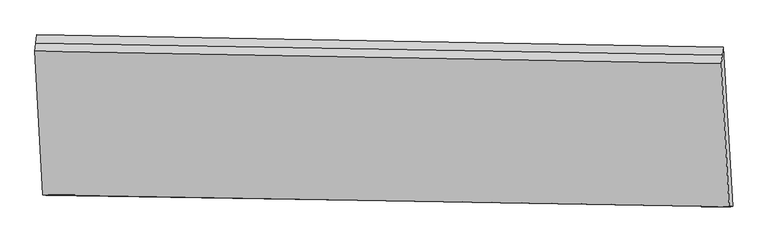
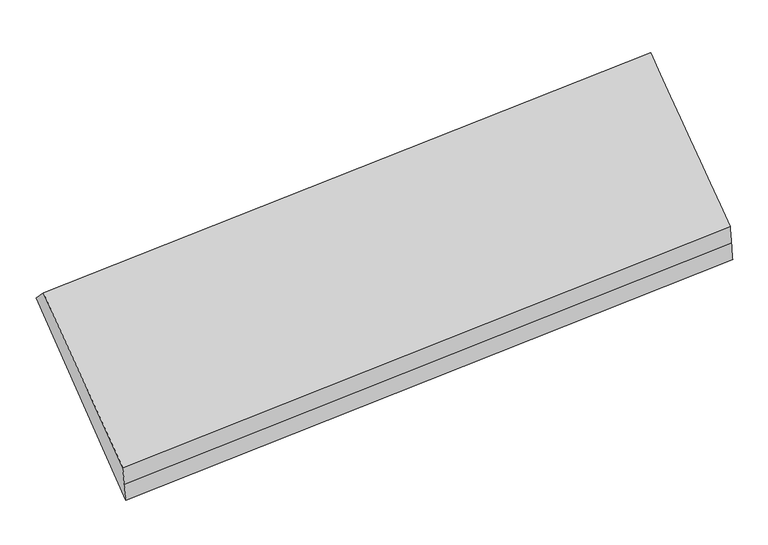
"""IFC4 building model written with IfcOpenShell, lengths in millimetres: proxy geometry."""

from ifc_helpers import new_model, si_unit, frame, origin, place, context, project, spatial, source, transform, mapped, element, save
from ifc_brep_helpers import plane_surface, spline_surface, advanced_brep


def generic_models_1fc067d9(model_context):
    return source(origin(), model_context, "Body", "AdvancedBrep", [
        advanced_brep(
        [(-5297.0671562, -885.7667815, 2366.4183283), (-5241.7100799, -1887.1631138, 1479.5096985), (-455.399982, -1972.885279, 1889.516615), (-509.883846, -970.4988585, 2766.0619524), (-5230.1024393, -1888.6598356, 1338.582986), (-443.3062617, -1969.7027254, 1743.7130573), (-5218.4947986, -1890.1565574, 1197.6562735), (-431.2125414, -1966.5201719, 1597.9094996), (-5285.0994202, -770.5586376, 2246.3458292), (-497.9161099, -855.2907146, 2645.9894533), (-5291.0832882, -828.1627096, 2306.3820788), (-503.899978, -912.8947865, 2706.0257028)],
        [
            (0, 1),
            (1, 2),
            (2, 3),
            (3, 0),
            (1, 4),
            (4, 5),
            (5, 2),
            (4, 6),
            (6, 7),
            (7, 5),
            (6, 8),
            (8, 9),
            (9, 7),
            (8, 10),
            (10, 11),
            (11, 9),
            (10, 0),
            (3, 11),
        ],
        [
            spline_surface(1, 1, [[(-5297.0671562, -885.7667815, 2366.4183283), (-509.883846, -970.4988585, 2766.0619524)], [(-5241.7100799, -1887.1631138, 1479.5096985), (-455.399982, -1972.885279, 1889.516615)]], [2, 2], [2, 2], [0.0, 1.0], [0.0, 1.0]),
            spline_surface(1, 1, [[(-5241.7100799, -1887.1631138, 1479.5096985), (-455.399982, -1972.885279, 1889.516615)], [(-5230.1024393, -1888.6598356, 1338.582986), (-443.3062617, -1969.7027254, 1743.7130573)]], [2, 2], [2, 2], [0.0, 1.0], [0.0, 1.0]),
            spline_surface(1, 1, [[(-5230.1024393, -1888.6598356, 1338.582986), (-443.3062617, -1969.7027254, 1743.7130573)], [(-5218.4947986, -1890.1565574, 1197.6562735), (-431.2125414, -1966.5201719, 1597.9094996)]], [2, 2], [2, 2], [0.0, 1.0], [0.0, 1.0]),
            spline_surface(1, 1, [[(-5218.4947986, -1890.1565574, 1197.6562735), (-431.2125414, -1966.5201719, 1597.9094996)], [(-5285.0994202, -770.5586376, 2246.3458292), (-497.9161099, -855.2907146, 2645.9894533)]], [2, 2], [2, 2], [0.0, 1.0], [0.0, 1.0]),
            plane_surface(frame((-5288.0913542, -799.3606736, 2276.363954), z_axis=(-0.04474760074680953, 0.7230733888160887, 0.6893203367182935), x_axis=(-0.07173444065272108, -0.6905559844412623, 0.7197128610609931))),
            plane_surface(frame((-5294.0752222, -856.9647455, 2336.4002036), z_axis=(-0.044747600746809585, 0.7230733888160887, 0.6893203367182934), x_axis=(-0.0717344406527219, -0.6905559844412623, 0.7197128610609931))),
            plane_surface(frame((-473.6031198, -1441.298756, 2224.8693801), z_axis=(0.9964521382852646, -0.017774315363875914, 0.08226305258176214), x_axis=(-0.07173444065272148, -0.6905559844412623, 0.7197128610609931))),
            plane_surface(frame((-5260.5928637, -1358.4112726, 1822.4825324), z_axis=(-0.9964521382852647, 0.01777431536387232, -0.08226305258176062), x_axis=(0.07173444065271795, 0.6905559844412616, -0.7197128610609941))),
        ],
        [
            (0, [[1, 2, 3, 4]]),
            (1, [[5, 6, 7, -2]]),
            (2, [[8, 9, 10, -6]]),
            (3, [[11, 12, 13, -9]]),
            (4, [[14, 15, 16, -12]]),
            (5, [[17, -4, 18, -15]]),
            (6, [[-16, -18, -3, -7, -10, -13]]),
            (7, [[-17, -14, -11, -8, -5, -1]]),
        ],
    ),
    ])


if __name__ == "__main__":
    model = new_model("IFC4")
    model_context = context("Model", 3, world=origin())
    ifc_project = project(units=[si_unit("LENGTHUNIT", "METRE", prefix="MILLI")], contexts=[model_context])
    site = spatial("IfcSite", under=ifc_project)
    building = spatial("IfcBuilding", under=site)
    placement = place(None, origin())
    generic_models_shape = generic_models_1fc067d9(model_context)
    element("IfcBuildingElementProxy", 1, Name="Generic Models", at=placement, inside=building, context=model_context, shape_type="MappedRepresentation", body=[
        mapped(generic_models_shape, transform((0.0, 0.0, 0.0), x_axis=(1.0, 0.0, 0.0), y_axis=(0.0, 1.0, 0.0), z_axis=(0.0, 0.0, 1.0))),
    ])
    save(model, "model.ifc")
